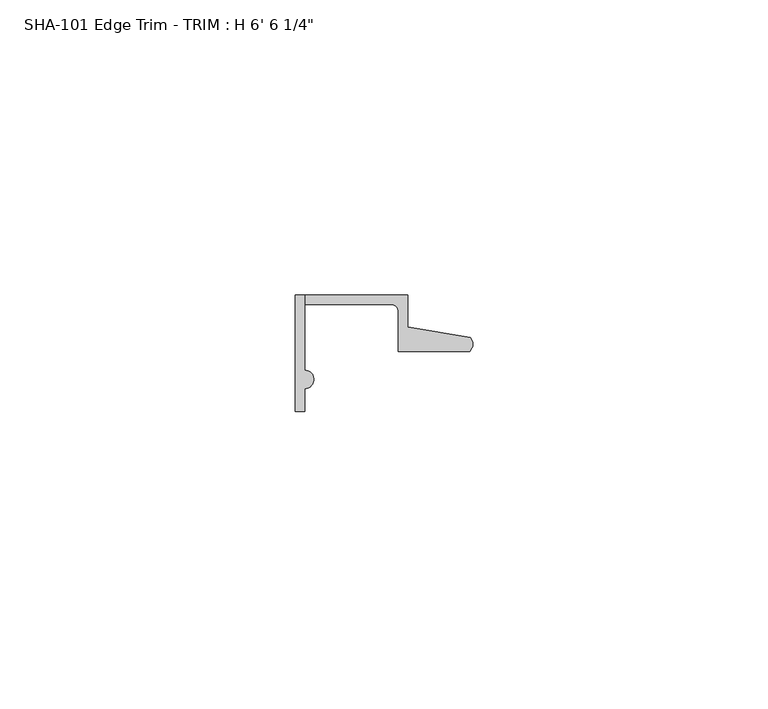
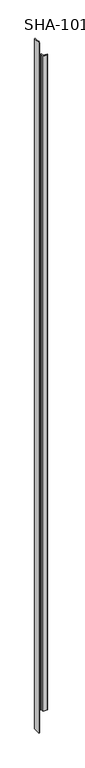
"""IFC4 building model written with IfcOpenShell, lengths in millimetres: proxy geometry."""

from ifc_helpers import new_model, si_unit, frame, origin, place, context, project, spatial, polyline, circle_curve, source, transform, mapped, element, save
from ifc_brep_helpers import plane_surface, cylinder_surface, revolved_surface, advanced_brep


def proxy_eb13ef53(model_context):
    return source(origin(), model_context, "Body", "AdvancedBrep", [
        advanced_brep(
        [(0.0, 0.0, 1987.55), (0.0, -19.7327081, 1987.55), (1.5748, -19.7327081, 1987.55), (1.5748, -15.8623, 1987.55), (1.5748, -12.7127, 1987.55), (1.5748, 0.0, 1987.55), (1.5748, 0.0, 0.0), (1.5748, -12.7127, 0.0), (1.5748, -15.8623, 0.0), (1.5748, -19.7327081, 0.0), (0.0, -19.7327081, 0.0), (0.0, 0.0, 0.0), (1.5748, 0.0, 1936.75), (19.0246, 0.0, 1936.75), (19.0246, 0.0, 50.8), (1.5748, 0.0, 50.8), (19.0246, -5.392657, 1936.75), (19.0246, -5.392657, 50.8), (29.6006869, -7.2036308, 1936.75), (29.6006869, -7.2036308, 50.8), (29.5346031, -9.525, 1936.75), (29.5346031, -9.525, 50.8), (17.4498, -9.525, 1936.75), (17.4498, -9.525, 50.8), (17.4498, -2.8448, 1936.75), (17.4498, -2.8448, 50.8), (16.1798, -1.5748, 1936.75), (16.1798, -1.5748, 50.8), (1.5748, -1.5748, 1936.75), (1.5748, -1.5748, 50.8)],
        [
            (0, 1),
            (1, 2),
            (2, 3),
            (3, 4, circle_curve(frame((1.5748, -14.2875, 1987.55), z_axis=(0.0, 0.0, 1.0), x_axis=(0.0, -1.0, 0.0)), 1.5748)),
            (4, 5),
            (5, 0),
            (6, 7),
            (7, 8, circle_curve(frame((1.5748, -14.2875, 0.0), z_axis=(0.0, 0.0, -1.0), x_axis=(0.0, -1.0, 0.0)), 1.5748)),
            (8, 9),
            (9, 10),
            (10, 11),
            (11, 6),
            (3, 8),
            (7, 4),
            (2, 9),
            (1, 10),
            (0, 11),
            (5, 12),
            (12, 13),
            (13, 14),
            (14, 15),
            (15, 6),
            (13, 16),
            (16, 17),
            (17, 14),
            (16, 18),
            (18, 19),
            (19, 17),
            (18, 20, circle_curve(frame((28.4438454, -8.3323235, 1936.75), z_axis=(0.0, 0.0, -1.0), x_axis=(0.0, -1.0, 0.0)), 1.6162393)),
            (20, 21),
            (21, 19, circle_curve(frame((28.4438454, -8.3323235, 50.8), z_axis=(0.0, 0.0, 1.0), x_axis=(0.0, -1.0, 0.0)), 1.6162393)),
            (20, 22),
            (22, 23),
            (23, 21),
            (22, 24),
            (24, 25),
            (25, 23),
            (24, 26, circle_curve(frame((16.1798, -2.8448, 1936.75), z_axis=(0.0, 0.0, 1.0), x_axis=(0.0, -1.0, 0.0)), 1.27)),
            (26, 27),
            (27, 25, circle_curve(frame((16.1798, -2.8448, 50.8), z_axis=(0.0, 0.0, -1.0), x_axis=(0.0, -1.0, 0.0)), 1.27)),
            (26, 28),
            (28, 29),
            (29, 27),
            (15, 29),
            (28, 12),
        ],
        [
            plane_surface(frame((1.5748, -12.7127, 1987.55), z_axis=(0.0, 0.0, 1.0), x_axis=(0.0, 1.0, 0.0))),
            plane_surface(frame((1.5748, -12.7127, 0.0), z_axis=(0.0, 0.0, -1.0), x_axis=(0.0, -1.0, 0.0))),
            cylinder_surface(frame((1.5748, -14.2875, 0.0), z_axis=(0.0, 0.0, 1.0), x_axis=(0.0, -1.0, 0.0)), 1.5748),
            plane_surface(frame((1.5748, -19.7327081, 1987.55), z_axis=(1.0, 0.0, 0.0), x_axis=(0.0, 0.0, -1.0))),
            plane_surface(frame((0.0, -19.7327081, 1987.55), z_axis=(0.0, -1.0, 0.0), x_axis=(0.0, 0.0, -1.0))),
            plane_surface(frame((0.0, 0.0, 1987.55), z_axis=(-1.0, 0.0, 0.0), x_axis=(0.0, 0.0, -1.0))),
            plane_surface(frame((19.0246, 0.0, 1987.55), z_axis=(0.0, 1.0, 0.0), x_axis=(0.0, 0.0, -1.0))),
            plane_surface(frame((19.0246, -5.392657, 1987.55), z_axis=(1.0, 0.0, 0.0), x_axis=(0.0, 0.0, -1.0))),
            plane_surface(frame((29.6006869, -7.2036308, 1987.55), z_axis=(0.168776431404418, 0.9856543593990694, 0.0), x_axis=(0.0, 0.0, -1.0))),
            cylinder_surface(frame((28.4438454, -8.3323235, 0.0), z_axis=(0.0, 0.0, 1.0), x_axis=(0.0, -1.0, 0.0)), 1.6162393),
            plane_surface(frame((17.4498, -9.525, 1987.55), z_axis=(0.0, -1.0, 0.0), x_axis=(0.0, 0.0, -1.0))),
            plane_surface(frame((17.4498, -2.8448, 1987.55), z_axis=(-1.0, 0.0, 0.0), x_axis=(0.0, 0.0, -1.0))),
            revolved_surface(polyline([(16.1798, -4.114800000000001, 50.8), (16.1798, -4.114800000000001, 1936.75)]), (16.1798, -2.8448, 0.0), (0.0, 0.0, -1.0)),
            plane_surface(frame((1.5748, -1.5748, 1987.55), z_axis=(0.0, -1.0, 0.0), x_axis=(0.0, 0.0, -1.0))),
            plane_surface(frame((1.5748, -12.7127, 1987.55), z_axis=(1.0, 0.0, 0.0), x_axis=(0.0, 0.0, -1.0))),
            plane_surface(frame((1.5748, -9.525, 1936.75), z_axis=(0.0, 0.0, 1.0), x_axis=(0.0, 1.0, 0.0))),
            plane_surface(frame((30.1393415, -9.525, 50.8), z_axis=(0.0, 0.0, -1.0), x_axis=(0.0, 1.0, 0.0))),
        ],
        [
            (0, [[1, 2, 3, 4, 5, 6]]),
            (1, [[7, 8, 9, 10, 11, 12]]),
            (2, [[-4, 13, -8, 14]]),
            (3, [[-3, 15, -9, -13]]),
            (4, [[-2, 16, -10, -15]]),
            (5, [[-1, 17, -11, -16]]),
            (6, [[-17, -6, 18, 19, 20, 21, 22, -12]]),
            (7, [[-20, 23, 24, 25]]),
            (8, [[-24, 26, 27, 28]]),
            (9, [[-27, 29, 30, 31]]),
            (10, [[-30, 32, 33, 34]]),
            (11, [[-33, 35, 36, 37]]),
            (12, [[-36, 38, 39, 40]]),
            (13, [[-39, 41, 42, 43]]),
            (14, [[-14, -7, -22, 44, -42, 45, -18, -5]]),
            (15, [[-45, -41, -38, -35, -32, -29, -26, -23, -19]]),
            (16, [[-44, -21, -25, -28, -31, -34, -37, -40, -43]]),
        ],
    ),
    ])


if __name__ == "__main__":
    model = new_model("IFC4")
    model_context = context("Model", 3, world=origin())
    ifc_project = project(units=[si_unit("LENGTHUNIT", "METRE", prefix="MILLI")], contexts=[model_context])
    site = spatial("IfcSite", under=ifc_project)
    building = spatial("IfcBuilding", under=site)
    placement = place(None, origin())
    proxy_shape = proxy_eb13ef53(model_context)
    element("IfcBuildingElementProxy", 1, Name="SHA-101 Edge Trim - TRIM : H 6' 6 1/4\"", ObjectType="SHA-101 Edge Trim - TRIM : H 6' 6 1/4\"", at=placement, inside=building, context=model_context, shape_type="MappedRepresentation", body=[
        mapped(proxy_shape, transform((0.0, 0.0, 0.0), x_axis=(1.0, 0.0, 0.0), y_axis=(0.0, 1.0, 0.0), z_axis=(0.0, 0.0, 1.0))),
    ])
    save(model, "model.ifc")
